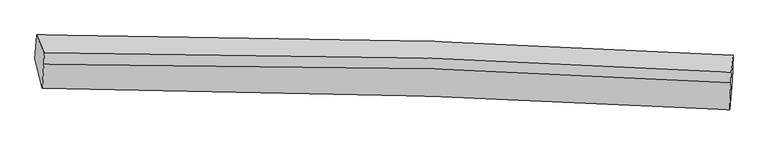
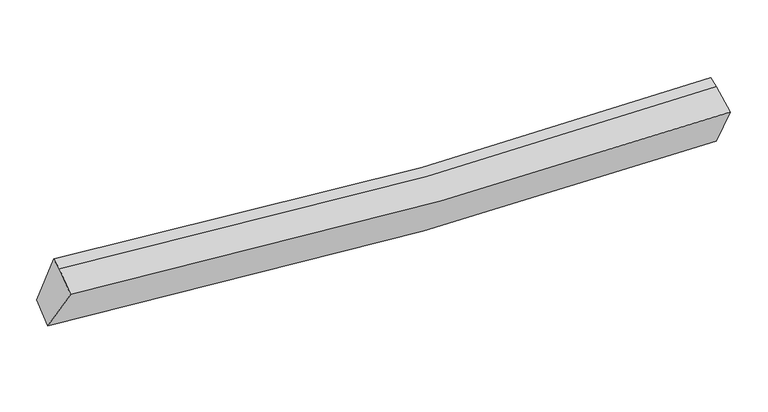
"""IFC4 building model written with IfcOpenShell, lengths in millimetres: proxy geometry."""

from ifc_helpers import new_model, si_unit, frame, origin, place, context, project, spatial, source, transform, mapped, element, save
from ifc_brep_helpers import plane_surface, spline_curve, spline_surface, advanced_brep


def generic_models_229e5b69(model_context):
    return source(origin(), model_context, "Body", "AdvancedBrep", [
        advanced_brep(
        [(-4303.6981594, -1919.9721267, 2821.5749675), (-4280.5125801, -1613.0443566, 3001.4198295), (4731.4736676, -1877.7151078, 2709.3279196), (4720.1150606, -2203.8865406, 2522.5048277), (-4210.8480833, -2300.8380031, 3472.6663955), (4689.5450943, -2582.2560563, 3180.9135053), (-4187.4373778, -1994.1062725, 3654.1211383), (4702.5685047, -2234.3616108, 3334.4784413), (-4181.600757, -1847.0325023, 3702.3915692), (4708.0283323, -2096.7824414, 3379.6326914)],
        [
            (0, 1),
            (1, 2, spline_curve(3, [(-4280.5125801, -1613.0443566, 3001.4198295), (-2582.361504963, -1611.096205087, 2802.848327702), (-884.566983687, -1638.42082158, 2685.396454335), (2119.283079934, -1738.577681764, 2621.101545531), (3425.483974868, -1799.476648917, 2641.18944916), (4731.4736676, -1877.7151078, 2709.3279196)], [4, 2, 4], [0.0, 16.75442525344889, 29.649261035852362])),
            (2, 3),
            (3, 0, spline_curve(3, [(4720.1150606, -2203.8865406, 2522.5048277), (3412.859371374, -2130.459321607, 2462.017650774), (2105.197391028, -2071.065819153, 2446.693371347), (-902.460733745, -1966.769484308, 2515.301690226), (-2602.736493684, -1931.524848548, 2630.316015583), (-4303.6981594, -1919.9721267, 2821.5749675)], [4, 2, 4], [0.0, 12.894835782403472, 29.649261035852362])),
            (4, 0),
            (3, 5),
            (5, 4, spline_curve(3, [(4689.5450943, -2582.2560563, 3180.9135053), (3396.543185769, -2509.565681701, 3120.947901675), (2104.717427884, -2450.745955436, 3105.457007328), (-862.889741442, -2347.393966334, 3172.099863317), (-2537.861709399, -2312.407674878, 3284.841721153), (-4210.8480833, -2300.8380031, 3472.6663955)], [4, 2, 4], [0.0, 12.813842556889448, 29.46303227529087])),
            (6, 4),
            (5, 7),
            (7, 6, spline_curve(3, [(4702.5685047, -2234.3616108, 3334.4784413), (3409.546950588, -2154.361976568, 3262.986358991), (2118.365006547, -2094.007174156, 3242.740438473), (-846.236332456, -2000.402218016, 3314.019690551), (-2518.389682696, -1980.671907514, 3440.813176189), (-4187.4373778, -1994.1062725, 3654.1211383)], [4, 2, 4], [0.0, 12.720996600528867, 29.24955037891691])),
            (8, 6),
            (7, 9),
            (9, 8, spline_curve(3, [(4708.0283323, -2096.7824414, 3379.6326914), (3414.964737621, -2017.842167451, 3307.792921321), (2123.782793381, -1957.487365152, 3287.54700085), (-840.721880751, -1861.446608087, 3359.625695532), (-2512.749633149, -1838.551430734, 3487.457908946), (-4181.600757, -1847.0325023, 3702.3915692)], [4, 2, 4], [0.0, 12.716144405782966, 29.238393665404185])),
            (1, 8),
            (9, 2),
        ],
        [
            spline_surface(3, 3, [[(-4303.6981594, -1919.9721267, 2821.5749675), (-2602.736493913, -1931.524848312, 2630.316015687), (-902.460733964, -1966.769484135, 2515.301690017), (2105.197391196, -2071.065819286, 2446.693371508), (3412.859371214, -2130.459321431, 2462.017650605), (4720.1150606, -2203.8865406, 2522.5048277)], [(-4295.969632967, -1817.662869998, 2881.523254827), (-2595.944830856, -1824.715300509, 2687.826786425), (-896.496150551, -1857.319929915, 2571.999944759), (2109.892620789, -1960.236440162, 2504.82942955), (3417.067572418, -2020.131763977, 2521.74158353), (4723.901262937, -2095.162729655, 2584.779191688)], [(-4288.241106533, -1715.353613302, 2941.471542173), (-2589.153167799, -1717.905752712, 2745.337557181), (-890.531567144, -1747.870375656, 2628.698199482), (2114.587850376, -1849.407060999, 2562.965487573), (3421.275773611, -1909.804206557, 2581.465516392), (4727.687465263, -1986.438918745, 2647.053555612)], [(-4280.5125801, -1613.0443566, 3001.4198295), (-2582.361504743, -1611.096204909, 2802.848327918), (-884.566983731, -1638.420821436, 2685.396454224), (2119.283079968, -1738.577681875, 2621.101545616), (3425.483974815, -1799.476649103, 2641.189449317), (4731.4736676, -1877.7151078, 2709.3279196)]], [4, 4], [4, 2, 4], [0.0, 1.2209412316313886], [0.0, 16.75442525344889, 29.649261035852362]),
            spline_surface(3, 3, [[(-4210.8480833, -2300.8380031, 3472.6663955), (-2537.861709183, -2312.407674697, 3284.841721361), (-862.889741251, -2347.393966331, 3172.099863495), (2104.717427736, -2450.745955439, 3105.457007192), (3396.543185646, -2509.56568155, 3120.947901645), (4689.5450943, -2582.2560563, 3180.9135053)], [(-4241.798108674, -2173.882710982, 3255.635919506), (-2559.486637433, -2185.446732583, 3066.666486142), (-876.080072171, -2220.519138903, 2953.167138994), (2104.877415541, -2324.185910025, 2885.869128621), (3401.981914166, -2383.196894863, 2901.304484618), (4699.735083064, -2456.13288442, 2961.443946086)], [(-4272.748134026, -2046.927418818, 3038.605443494), (-2581.111565663, -2058.485790425, 2848.491250906), (-889.270403045, -2093.644311564, 2734.234414519), (2105.037403392, -2197.6258647, 2666.281250078), (3407.420642694, -2256.828108118, 2681.661067633), (4709.925071836, -2330.00971248, 2741.974386914)], [(-4303.6981594, -1919.9721267, 2821.5749675), (-2602.736493913, -1931.524848312, 2630.316015687), (-902.460733964, -1966.769484135, 2515.301690017), (2105.197391196, -2071.065819286, 2446.693371508), (3412.859371214, -2130.459321431, 2462.017650605), (4720.1150606, -2203.8865406, 2522.5048277)]], [4, 4], [4, 2, 4], [0.0, 2.493217291116561], [0.0, 16.649189718401423, 29.46303227529087]),
            spline_surface(3, 3, [[(-4187.4373778, -1994.1062725, 3654.1211383), (-2518.389682611, -1980.671907413, 3440.813176455), (-846.236332498, -2000.402217829, 3314.019690337), (2118.36500658, -2094.007174299, 3242.740438638), (3409.546950645, -2154.361976634, 3262.986359073), (4702.5685047, -2234.3616108, 3334.4784413)], [(-4195.240946314, -2096.350182705, 3593.636224038), (-2524.880358149, -2091.250496513, 3388.822691428), (-851.787468756, -2116.06613401, 3266.713081401), (2113.815813625, -2212.920101359, 3196.979294834), (3405.212362317, -2272.763211597, 3215.6402066), (4698.227367904, -2350.326425958, 3283.290129302)], [(-4203.044514786, -2198.594092895, 3533.151309762), (-2531.371033645, -2201.829085597, 3336.832206388), (-857.338604993, -2231.73005015, 3219.406472431), (2109.266620691, -2331.833028379, 3151.218150995), (3400.877773975, -2391.164446586, 3168.294054119), (4693.886231096, -2466.291241142, 3232.101817298)], [(-4210.8480833, -2300.8380031, 3472.6663955), (-2537.861709183, -2312.407674697, 3284.841721361), (-862.889741251, -2347.393966331, 3172.099863495), (2104.717427737, -2450.745955439, 3105.457007192), (3396.543185646, -2509.56568155, 3120.947901645), (4689.5450943, -2582.2560563, 3180.9135053)]], [4, 4], [4, 2, 4], [0.0, 1.2392466129992634], [0.0, 16.528553778388044, 29.24955037891691]),
            spline_surface(3, 3, [[(-4181.600757, -1847.0325023, 3702.3915692), (-2512.749633201, -1838.551430706, 3487.457908828), (-840.72188088, -1861.44660808, 3359.625695731), (2123.782793481, -1957.487365158, 3287.547000697), (3414.964737547, -2017.842167493, 3307.792921233), (4708.0283323, -2096.7824414, 3379.6326914)], [(-4183.546297239, -1896.057092359, 3686.301425548), (-2514.629649643, -1885.924922934, 3471.909664686), (-842.560031421, -1907.765144667, 3344.423693908), (2121.976864512, -2002.99396821, 3272.611479986), (3413.158808578, -2063.348770544, 3292.857400522), (4706.208389765, -2142.642164538, 3364.581274709)], [(-4185.491837561, -1945.081682441, 3670.211281952), (-2516.509666168, -1933.298415185, 3456.361420598), (-844.398181957, -1954.083681242, 3329.22169216), (2120.170935549, -2048.500571248, 3257.675959349), (3411.352879614, -2108.855373582, 3277.921879785), (4704.388447235, -2188.501887662, 3349.529857991)], [(-4187.4373778, -1994.1062725, 3654.1211383), (-2518.389682611, -1980.671907413, 3440.813176455), (-846.236332498, -2000.402217829, 3314.019690337), (2118.36500658, -2094.007174299, 3242.740438638), (3409.546950645, -2154.361976634, 3262.986359073), (4702.5685047, -2234.3616108, 3334.4784413)]], [4, 4], [4, 2, 4], [0.0, 0.4772914642454859], [0.0, 16.52224925962122, 29.238393665404185]),
            spline_surface(3, 3, [[(-4280.5125801, -1613.0443566, 3001.4198295), (-2582.361504743, -1611.096204909, 2802.848327918), (-884.566983731, -1638.420821436, 2685.396454224), (2119.283079968, -1738.577681875, 2621.101545616), (3425.483974815, -1799.476649103, 2641.189449317), (4731.4736676, -1877.7151078, 2709.3279196)], [(-4247.541972407, -1691.040405156, 3235.077076081), (-2559.157547569, -1686.914613497, 3031.051521569), (-869.951949426, -1712.762750316, 2910.139534742), (2120.782984495, -1811.547576302, 2843.250030659), (3421.977562389, -1872.265155228, 2863.390606604), (4723.65855583, -1950.737552329, 2932.762843515)], [(-4214.571364693, -1769.036453744, 3468.734322619), (-2535.953590375, -1762.733022118, 3259.254715177), (-855.336915186, -1787.1046792, 3134.882615212), (2122.282888955, -1884.517470731, 3065.398515654), (3418.471149974, -1945.053661367, 3085.591763946), (4715.84344407, -2023.759996871, 3156.197767485)], [(-4181.600757, -1847.0325023, 3702.3915692), (-2512.749633201, -1838.551430706, 3487.457908828), (-840.72188088, -1861.44660808, 3359.625695731), (2123.782793481, -1957.487365158, 3287.547000697), (3414.964737547, -2017.842167493, 3307.792921233), (4708.0283323, -2096.7824414, 3379.6326914)]], [4, 4], [4, 2, 4], [0.0, 2.3222198213764536], [0.0, 16.63315964211121, 29.434664849421978]),
            plane_surface(frame((4710.3461319, -2199.0003514, 3025.3714771), z_axis=(0.9987372784487147, -0.04614987918456891, 0.01985037249283382), x_axis=(-0.03422684943135049, -0.9143020490910597, -0.40358429826480247))),
            plane_surface(frame((-4232.8193915, -1934.9986523, 3330.43478), z_axis=(-0.9904446714515999, -0.005915606241291851, 0.13778373777746977), x_axis=(-0.06503818454141905, -0.8609672717411632, -0.5044852738605304))),
        ],
        [
            (0, [[1, 2, 3, 4]]),
            (1, [[5, -4, 6, 7]]),
            (2, [[8, -7, 9, 10]]),
            (3, [[11, -10, 12, 13]]),
            (4, [[14, -13, 15, -2]]),
            (5, [[-9, -6, -3, -15, -12]]),
            (6, [[-1, -5, -8, -11, -14]]),
        ],
    ),
    ])


if __name__ == "__main__":
    model = new_model("IFC4")
    model_context = context("Model", 3, world=origin())
    ifc_project = project(units=[si_unit("LENGTHUNIT", "METRE", prefix="MILLI")], contexts=[model_context])
    site = spatial("IfcSite", under=ifc_project)
    building = spatial("IfcBuilding", under=site)
    placement = place(None, origin())
    generic_models_shape = generic_models_229e5b69(model_context)
    element("IfcBuildingElementProxy", 1, Name="Generic Models", at=placement, inside=building, context=model_context, shape_type="MappedRepresentation", body=[
        mapped(generic_models_shape, transform((0.0, 0.0, 0.0), x_axis=(1.0, 0.0, 0.0), y_axis=(0.0, 1.0, 0.0), z_axis=(0.0, 0.0, 1.0))),
    ])
    save(model, "model.ifc")
